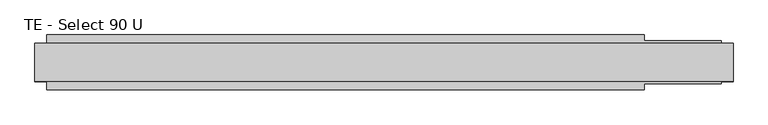
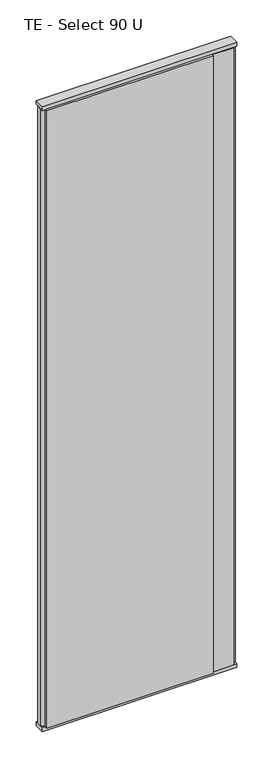
"""IFC4 building model written with IfcOpenShell, lengths in millimetres: plate geometry, TE - Select 90 U."""

import ifcopenshell
import ifcopenshell.guid

model = None  # the IFC model being written
_history = None  # IfcOwnerHistory: only IFC2X3 demands one
_inside = {}  # id of a spatial element -> (the spatial element, [elements in it])
_under = {}  # id of a project, library or spatial element -> (it, [spatial elements below it])
_declared = {}  # id of a project -> (the project, [libraries it declares])
_typed = {}  # id of a type object -> (the type object, [elements of that type])
_made_of = {}  # id of a material, layer set ... -> (it, [elements and type objects made of it])


def new_model(schema):
    """Start an empty IFC model of exactly this schema.

    Asked for "IFC4X3", IfcOpenShell would pick the latest addendum, in which some entities
    have other attributes; the version numbers below select the first issue.
    IFC2X3 requires an IfcOwnerHistory on every rooted entity: one is made here for all.
    """
    global model, _history
    if schema == "IFC4X3":
        model = ifcopenshell.file(schema_version=(4, 3, 0, 0))
    else:
        model = ifcopenshell.file(schema=schema)
    _inside.clear()
    _under.clear()
    _declared.clear()
    _typed.clear()
    _made_of.clear()
    _history = None
    if model.schema == "IFC2X3":
        org = make("IfcOrganization", Name="unknown")
        user = make(
            "IfcPersonAndOrganization",
            ThePerson=make("IfcPerson", FamilyName="unknown"),
            TheOrganization=org,
        )
        app = make(
            "IfcApplication",
            ApplicationDeveloper=org,
            Version="unknown",
            ApplicationFullName="unknown",
            ApplicationIdentifier="unknown",
        )
        _history = make(
            "IfcOwnerHistory",
            OwningUser=user,
            OwningApplication=app,
            ChangeAction="ADDED",
            CreationDate=0,
        )
    return model


def make(cls, **values):
    """One entity of the class cls with the attributes given. An attribute that is None is left unset."""
    return model.create_entity(
        cls, **{name: value for name, value in values.items() if value is not None}
    )


def rooted(cls, **values):
    """An entity with a GlobalId (a new one), such as an element, a storey or a relation."""
    return make(cls, GlobalId=ifcopenshell.guid.new(), OwnerHistory=_history, **values)


def si_unit(unit_type, name, prefix=None):
    """IfcSIUnit, for example si_unit("LENGTHUNIT", "METRE", prefix="MILLI")."""
    return make("IfcSIUnit", UnitType=unit_type, Prefix=prefix, Name=name)


def assignment(units):
    """IfcUnitAssignment: the units of a project."""
    return None if units is None else make("IfcUnitAssignment", Units=units)


def point(xyz):
    """IfcCartesianPoint."""
    return None if xyz is None else make("IfcCartesianPoint", Coordinates=xyz)


def direction(xyz):
    """IfcDirection."""
    return None if xyz is None else make("IfcDirection", DirectionRatios=xyz)


def frame(location, z_axis=None, x_axis=None):
    """IfcAxis2Placement3D, a coordinate frame: its origin and axes. An axis left out is left unset."""
    return make(
        "IfcAxis2Placement3D",
        Location=point(location),
        Axis=direction(z_axis),
        RefDirection=direction(x_axis),
    )


def origin():
    """The frame at (0, 0, 0) with its axes left unset."""
    return frame((0.0, 0.0, 0.0))


def origin_with_axes():
    """The frame at (0, 0, 0) with the z axis (0, 0, 1) and the x axis (1, 0, 0) written out."""
    return frame((0.0, 0.0, 0.0), z_axis=(0.0, 0.0, 1.0), x_axis=(1.0, 0.0, 0.0))


def place(relative_to, where):
    """IfcLocalPlacement: puts the frame where relative to a parent placement (None: the world)."""
    return make(
        "IfcLocalPlacement", PlacementRelTo=relative_to, RelativePlacement=where
    )


def context(
    kind, dimensions, precision=None, world=None, true_north=None, identifier=None
):
    """IfcGeometricRepresentationContext, for example the 3D "Model" context."""
    return make(
        "IfcGeometricRepresentationContext",
        ContextIdentifier=identifier,
        ContextType=kind,
        CoordinateSpaceDimension=dimensions,
        Precision=precision,
        WorldCoordinateSystem=world,
        TrueNorth=true_north,
    )


def project(units=None, contexts=None):
    """IfcProject with its units and contexts."""
    return rooted(
        "IfcProject",
        Name="project",
        RepresentationContexts=contexts,
        UnitsInContext=assignment(units),
    )


def spatial(cls, under=None, at=None, **own):
    """A site, building, storey or space (cls), placed at a placement, below another one or the project."""
    s = rooted(cls, ObjectPlacement=at, **own)
    if under is not None:
        _under.setdefault(under.id(), (under, []))[1].append(s)
    return s


def polyline(points):
    """IfcPolyline through the points."""
    return make("IfcPolyline", Points=[point(p) for p in points])


def outline(outer, holes=None, kind="AREA"):
    """IfcArbitraryClosedProfileDef: a profile drawn as a closed curve; with holes, ...WithVoids."""
    if holes is None:
        return make("IfcArbitraryClosedProfileDef", ProfileType=kind, OuterCurve=outer)
    return make(
        "IfcArbitraryProfileDefWithVoids",
        ProfileType=kind,
        OuterCurve=outer,
        InnerCurves=holes,
    )


def extrude(swept, where, along, depth):
    """IfcExtrudedAreaSolid: the profile swept, set in the frame where, extruded along a direction by depth."""
    return make(
        "IfcExtrudedAreaSolid",
        SweptArea=swept,
        Position=where,
        ExtrudedDirection=direction(along),
        Depth=depth,
    )


def shape(context_of_items, identifier, shape_type, items):
    """IfcShapeRepresentation: the items that make up one representation, for example the "Body"."""
    return make(
        "IfcShapeRepresentation",
        ContextOfItems=context_of_items,
        RepresentationIdentifier=identifier,
        RepresentationType=shape_type,
        Items=items,
    )


def source(mapping_origin, context_of_items, identifier, shape_type, items):
    """IfcRepresentationMap: a shape defined once, which mapped items show again and again."""
    return make(
        "IfcRepresentationMap",
        MappingOrigin=mapping_origin,
        MappedRepresentation=shape(context_of_items, identifier, shape_type, items),
    )


def transform(
    local_origin,
    x_axis=None,
    y_axis=None,
    z_axis=None,
    scale=None,
    scale2=None,
    scale3=None,
    uniform=True,
):
    """IfcCartesianTransformationOperator3D, or its non-uniform kind. x_axis, y_axis, z_axis: its Axis1, 2, 3."""
    if uniform:
        return make(
            "IfcCartesianTransformationOperator3D",
            Axis1=direction(x_axis),
            Axis2=direction(y_axis),
            LocalOrigin=point(local_origin),
            Scale=scale,
            Axis3=direction(z_axis),
        )
    return make(
        "IfcCartesianTransformationOperator3DnonUniform",
        Axis1=direction(x_axis),
        Axis2=direction(y_axis),
        LocalOrigin=point(local_origin),
        Scale=scale,
        Axis3=direction(z_axis),
        Scale2=scale2,
        Scale3=scale3,
    )


def mapped(mapping_source, mapping_target):
    """IfcMappedItem: shows the shape of a source again, moved by a transform."""
    return make(
        "IfcMappedItem", MappingSource=mapping_source, MappingTarget=mapping_target
    )


def made_of(thing, what):
    """Note that an element or type object is made of a material, layer set ...; save() writes the relation."""
    if what is not None:
        _made_of.setdefault(what.id(), (what, []))[1].append(thing)
    return thing


def element(
    cls,
    number,
    at=None,
    inside=None,
    cuts=None,
    type_object=None,
    material=None,
    context=None,
    identifier="Body",
    shape_type=None,
    held_by="IfcProductDefinitionShape",
    body=None,
    shapes=None,
    **own,
):
    """One element of the class cls, such as IfcWall. Its Tag is "e" and its number.

    at: its placement. inside: the storey or other place that contains it. cuts: it is an
    opening in that element (IfcRelVoidsElement). A single representation is given by context,
    identifier, shape_type and body (its items); several are given by shapes. held_by: the class
    of the entity that holds the representations. save() writes the other relations.
    """
    e = rooted(cls, Tag="e%d" % number, ObjectPlacement=at, **own)
    if body is not None:
        shapes = [shape(context, identifier, shape_type, body)]
    if shapes is not None:
        e.Representation = make(held_by, Representations=shapes)
    if inside is not None:
        _inside.setdefault(inside.id(), (inside, []))[1].append(e)
    if cuts is not None:
        rooted(
            "IfcRelVoidsElement", RelatingBuildingElement=cuts, RelatedOpeningElement=e
        )
    if type_object is not None:
        _typed.setdefault(type_object.id(), (type_object, []))[1].append(e)
    return made_of(e, material)


def aggregate(whole, parts):
    """IfcRelAggregates: a whole, such as a stair, and the parts it consists of."""
    return rooted("IfcRelAggregates", RelatingObject=whole, RelatedObjects=parts)


def save(model, path):
    """Write the relations noted so far, then the file.

    IfcRelAggregates (storeys below a building ...), IfcRelContainedInSpatialStructure (elements
    in a storey), IfcRelDefinesByType, IfcRelAssociatesMaterial and IfcRelDeclares: one each for
    every whole, place, type object, material and project.
    """
    for whole, parts in _under.values():
        aggregate(whole, parts)
    for where, things in _inside.values():
        rooted(
            "IfcRelContainedInSpatialStructure",
            RelatedElements=things,
            RelatingStructure=where,
        )
    for kind, things in _typed.values():
        rooted("IfcRelDefinesByType", RelatedObjects=things, RelatingType=kind)
    for what, things in _made_of.values():
        rooted("IfcRelAssociatesMaterial", RelatedObjects=things, RelatingMaterial=what)
    for by, libraries in _declared.values():
        rooted("IfcRelDeclares", RelatingContext=by, RelatedDefinitions=libraries)
    model.write(path)


def te_select_90_u_c02d0df9(model_context):
    return source(origin(), model_context, "Body", "SweptSolid", [
        extrude(outline(polyline([(438.0, 46.0), (438.0, 36.0), (568.0, 36.0), (568.0, 22.9993165), (588.0, 17.6401049), (588.0, -17.6401049), (568.0, -22.9993165), (568.0, -36.0), (438.0, -36.0), (438.0, -46.0), (-568.0, -46.0), (-568.0, -22.9993165), (-588.0, -17.6401049), (-588.0, 17.6401049), (-568.0, 22.9993165), (-568.0, 46.0), (438.0, 46.0)])), frame((0.0, 0.0, 25.0), z_axis=(0.0, 0.0, 1.0), x_axis=(1.0, 0.0, 0.0)), (0.0, 0.0, 1.0), 3950.0),
        extrude(outline(polyline([(588.0, 32.0), (588.0, -32.0), (-588.0, -32.0), (-588.0, 32.0), (588.0, 32.0)])), origin_with_axes(), (0.0, 0.0, 1.0), 25.0),
        extrude(outline(polyline([(588.0, 32.0), (588.0, -32.0), (-588.0, -32.0), (-588.0, 32.0), (588.0, 32.0)])), frame((0.0, 0.0, 3975.0), z_axis=(0.0, 0.0, 1.0), x_axis=(1.0, 0.0, 0.0)), (0.0, 0.0, 1.0), 25.0),
    ])


if __name__ == "__main__":
    model = new_model("IFC4")
    model_context = context("Model", 3, world=origin())
    ifc_project = project(units=[si_unit("LENGTHUNIT", "METRE", prefix="MILLI")], contexts=[model_context])
    site = spatial("IfcSite", under=ifc_project)
    building = spatial("IfcBuilding", under=site)
    placement = place(None, origin())
    te_select_90_u_shape = te_select_90_u_c02d0df9(model_context)
    element("IfcPlate", 1, ObjectType="TE - Select 90 U", at=placement, inside=building, context=model_context, shape_type="MappedRepresentation", body=[
        mapped(te_select_90_u_shape, transform((0.0, 0.0, 0.0), x_axis=(1.0, 0.0, 0.0), y_axis=(0.0, 1.0, 0.0), z_axis=(0.0, 0.0, 1.0))),
    ])
    save(model, "model.ifc")
